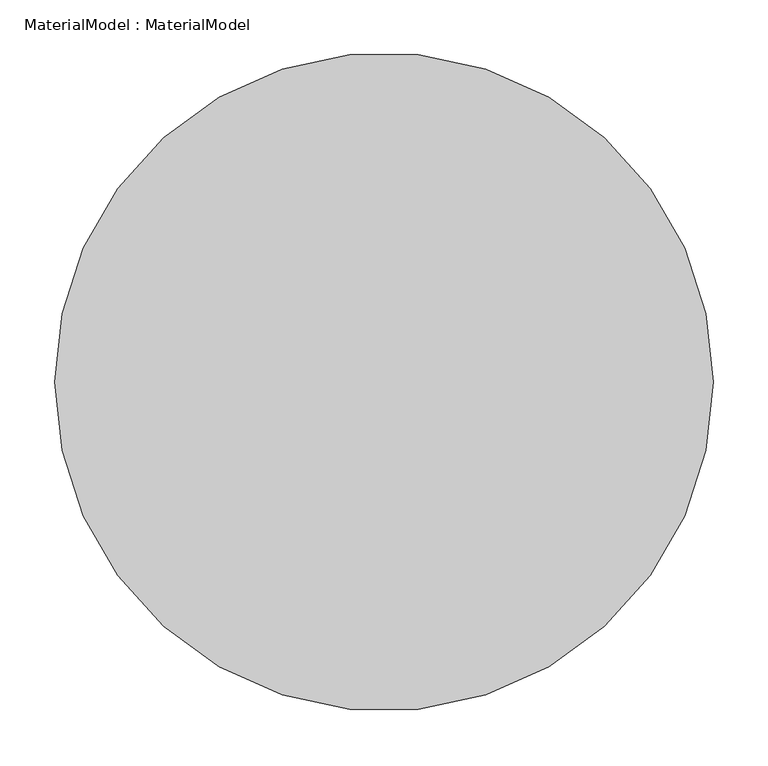
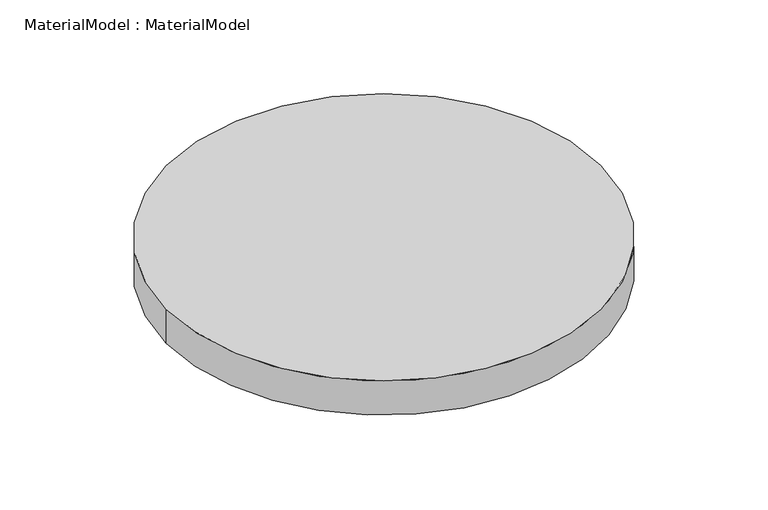
"""IFC4 building model written with IfcOpenShell, lengths in millimetres: proxy geometry, MaterialModel : MaterialModel."""

from ifc_helpers import new_model, si_unit, point, origin, origin_with_axes, origin_2d, place, context, project, spatial, circle_curve, trimmed, segment, composite_curve, outline, extrude, source, transform, mapped, element, save


def materialmodel_materialmodel_f1c05be1(model_context):
    return source(origin(), model_context, "Body", "SweptSolid", [
        extrude(outline(composite_curve([segment(trimmed(circle_curve(origin_2d(), 300.0), [point((-300.0, 0.0))], [point((300.0, 0.0))], False, "CARTESIAN"), True, "CONTINUOUS"), segment(trimmed(circle_curve(origin_2d(), 300.0), [point((300.0, 0.0))], [point((-300.0, 0.0))], False, "CARTESIAN"), True, "CONTINUOUS")], self_intersect=False)), origin_with_axes(), (0.0, 0.0, 1.0), 50.0),
    ])


if __name__ == "__main__":
    model = new_model("IFC4")
    model_context = context("Model", 3, world=origin())
    ifc_project = project(units=[si_unit("LENGTHUNIT", "METRE", prefix="MILLI")], contexts=[model_context])
    site = spatial("IfcSite", under=ifc_project)
    building = spatial("IfcBuilding", under=site)
    placement = place(None, origin())
    materialmodel_materialmodel_shape = materialmodel_materialmodel_f1c05be1(model_context)
    element("IfcBuildingElementProxy", 1, Name="MaterialModel : MaterialModel", ObjectType="MaterialModel : MaterialModel", at=placement, inside=building, context=model_context, shape_type="MappedRepresentation", body=[
        mapped(materialmodel_materialmodel_shape, transform((0.0, 0.0, 0.0), x_axis=(1.0, 0.0, 0.0), y_axis=(0.0, 1.0, 0.0), z_axis=(0.0, 0.0, 1.0))),
    ])
    save(model, "model.ifc")
